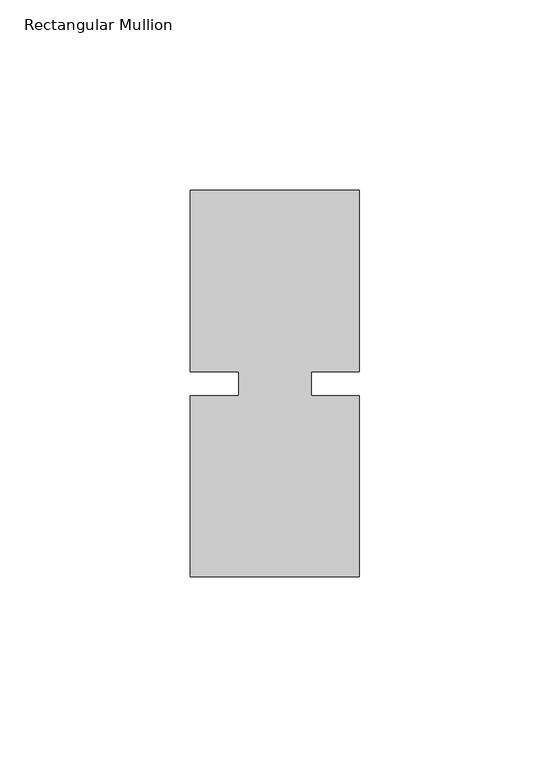
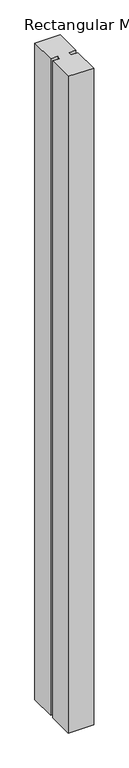
"""IFC4 building model written with IfcOpenShell, lengths in millimetres: member geometry, Rectangular Mullion."""

from ifc_helpers import new_model, si_unit, frame, origin, place, context, project, spatial, polyline, outline, extrude, source, transform, mapped, element, save


def rectangular_mullion_c59943e2(model_context):
    return source(origin(), model_context, "Body", "SweptSolid", [
        extrude(outline(polyline([(26.5594027, 50.8), (26.5594027, 3.175), (13.8576322, 3.175), (13.8576322, -3.175), (26.5594027, -3.175), (26.5594027, -50.8), (-17.8905973, -50.8), (-17.8905973, -3.175), (-5.1905973, -3.175), (-5.1905973, 3.175), (-17.8905973, 3.175), (-17.8905973, 50.8), (26.5594027, 50.8)])), frame((0.0, 0.0, -1219.2), z_axis=(0.0, 0.0, 1.0), x_axis=(1.0, 0.0, 0.0)), (0.0, 0.0, 1.0), 1219.2),
    ])


if __name__ == "__main__":
    model = new_model("IFC4")
    model_context = context("Model", 3, world=origin())
    ifc_project = project(units=[si_unit("LENGTHUNIT", "METRE", prefix="MILLI")], contexts=[model_context])
    site = spatial("IfcSite", under=ifc_project)
    building = spatial("IfcBuilding", under=site)
    placement = place(None, origin())
    rectangular_mullion_shape = rectangular_mullion_c59943e2(model_context)
    element("IfcMember", 1, ObjectType="Rectangular Mullion", at=placement, inside=building, context=model_context, shape_type="MappedRepresentation", body=[
        mapped(rectangular_mullion_shape, transform((0.0, 0.0, 0.0), x_axis=(1.0, 0.0, 0.0), y_axis=(0.0, 1.0, 0.0), z_axis=(0.0, 0.0, 1.0))),
    ])
    save(model, "model.ifc")
